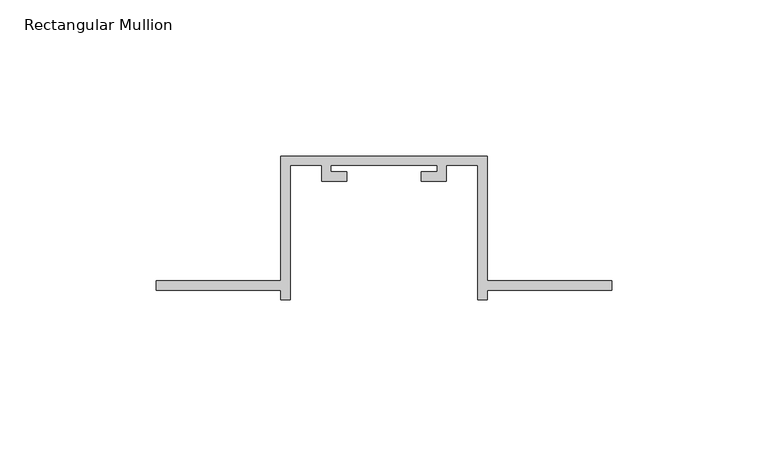
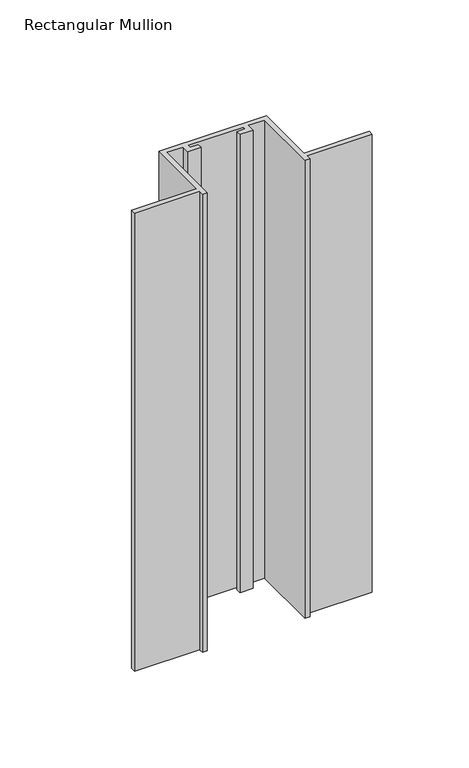
"""IFC4 building model written with IfcOpenShell, lengths in millimetres: member geometry, Rectangular Mullion."""

from ifc_helpers import new_model, si_unit, frame, origin, place, context, project, spatial, polyline, outline, extrude, source, transform, mapped, element, save


def rectangular_mullion_bf07b668(model_context):
    return source(origin(), model_context, "Body", "SweptSolid", [
        extrude(outline(polyline([(-40.0, -132.0), (-40.0, -135.0), (-43.0, -135.0), (-43.0, -92.0), (-53.0, -92.0), (-53.0, -97.0), (-61.0, -97.0), (-61.0, -94.0), (-56.0, -94.0), (-56.0, -92.0), (-90.0, -92.0), (-90.0, -94.0), (-85.0, -94.0), (-85.0, -97.0), (-93.0, -97.0), (-93.0, -92.0), (-103.0, -92.0), (-103.0, -135.0), (-106.0, -135.0), (-106.0, -132.0), (-146.0, -132.0), (-146.0, -129.0), (-106.0, -129.0), (-106.0, -89.0), (-40.0, -89.0), (-40.0, -129.0), (0.0, -129.0), (0.0, -132.0), (-40.0, -132.0)])), frame((0.0, 0.0, -297.1692572), z_axis=(0.0, 0.0, 1.0), x_axis=(1.0, 0.0, 0.0)), (0.0, 0.0, 1.0), 297.1692572),
    ])


if __name__ == "__main__":
    model = new_model("IFC4")
    model_context = context("Model", 3, world=origin())
    ifc_project = project(units=[si_unit("LENGTHUNIT", "METRE", prefix="MILLI")], contexts=[model_context])
    site = spatial("IfcSite", under=ifc_project)
    building = spatial("IfcBuilding", under=site)
    placement = place(None, origin())
    rectangular_mullion_shape = rectangular_mullion_bf07b668(model_context)
    element("IfcMember", 1, ObjectType="Rectangular Mullion", at=placement, inside=building, context=model_context, shape_type="MappedRepresentation", body=[
        mapped(rectangular_mullion_shape, transform((0.0, 0.0, 0.0), x_axis=(1.0, 0.0, 0.0), y_axis=(0.0, 1.0, 0.0), z_axis=(0.0, 0.0, 1.0))),
    ])
    save(model, "model.ifc")
